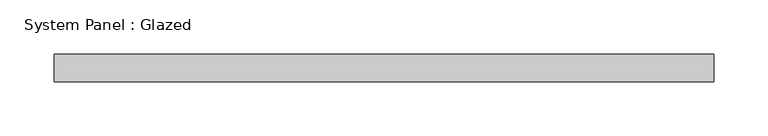
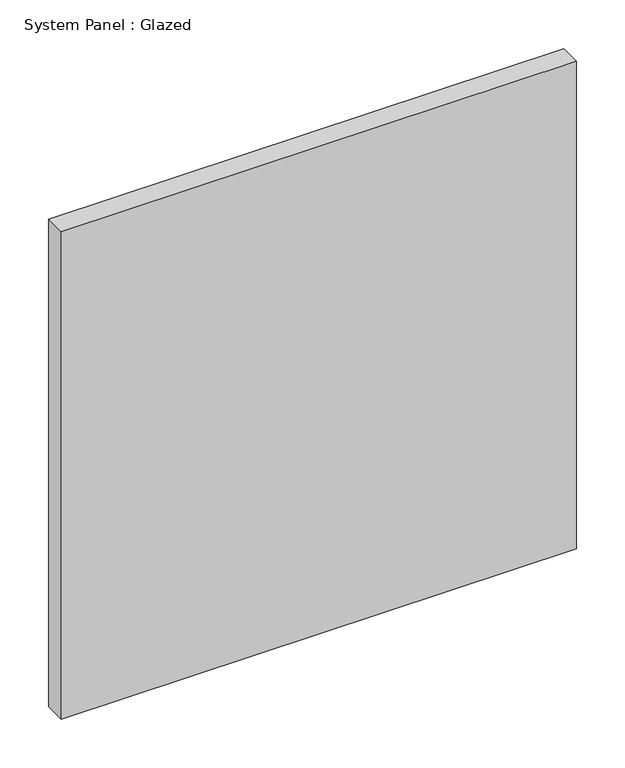
"""IFC4 building model written with IfcOpenShell, lengths in millimetres: plate geometry, System Panel : Glazed."""

from ifc_helpers import new_model, si_unit, origin, origin_with_axes, place, context, project, spatial, polyline, outline, extrude, source, transform, mapped, element, save


def system_panel_glazed_e02f60fa(model_context):
    return source(origin(), model_context, "Body", "SweptSolid", [
        extrude(outline(polyline([(304.8, 19.05), (-304.8, 19.05), (-304.8, 44.45), (304.8, 44.45), (304.8, 19.05)])), origin_with_axes(), (0.0, 0.0, 1.0), 609.6),
    ])


if __name__ == "__main__":
    model = new_model("IFC4")
    model_context = context("Model", 3, world=origin())
    ifc_project = project(units=[si_unit("LENGTHUNIT", "METRE", prefix="MILLI")], contexts=[model_context])
    site = spatial("IfcSite", under=ifc_project)
    building = spatial("IfcBuilding", under=site)
    placement = place(None, origin())
    system_panel_glazed_shape = system_panel_glazed_e02f60fa(model_context)
    element("IfcPlate", 1, ObjectType="System Panel : Glazed", at=placement, inside=building, context=model_context, shape_type="MappedRepresentation", body=[
        mapped(system_panel_glazed_shape, transform((0.0, 0.0, 0.0), x_axis=(1.0, 0.0, 0.0), y_axis=(0.0, 1.0, 0.0), z_axis=(0.0, 0.0, 1.0))),
    ])
    save(model, "model.ifc")
